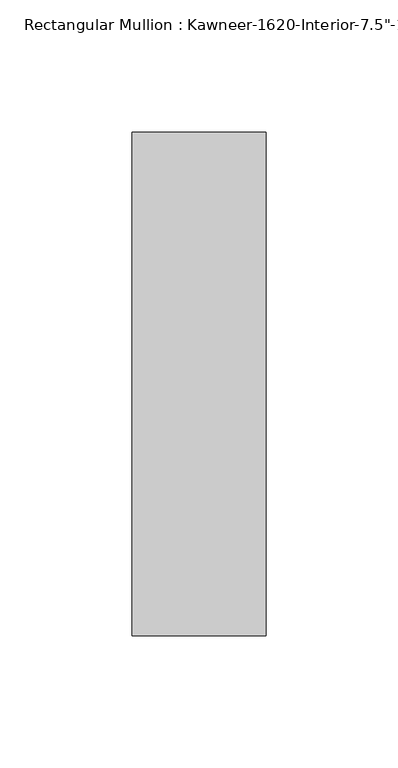
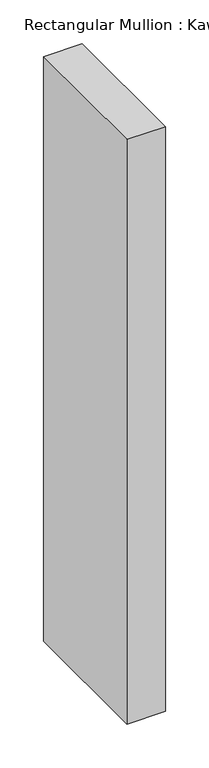
"""IFC4 building model written with IfcOpenShell, lengths in millimetres: member geometry."""

from ifc_helpers import new_model, si_unit, frame, origin, place, context, project, spatial, polyline, outline, extrude, source, transform, mapped, element, save


def member_85ddb39d(model_context):
    return source(origin(), model_context, "Body", "SweptSolid", [
        extrude(outline(polyline([(25.4, 161.925), (25.4, -28.575), (-25.4, -28.575), (-25.4, 161.925), (25.4, 161.925)])), frame((0.0, 0.0, -815.975), z_axis=(0.0, 0.0, 1.0), x_axis=(1.0, 0.0, 0.0)), (0.0, 0.0, 1.0), 815.975),
    ])


if __name__ == "__main__":
    model = new_model("IFC4")
    model_context = context("Model", 3, world=origin())
    ifc_project = project(units=[si_unit("LENGTHUNIT", "METRE", prefix="MILLI")], contexts=[model_context])
    site = spatial("IfcSite", under=ifc_project)
    building = spatial("IfcBuilding", under=site)
    placement = place(None, origin())
    member_shape = member_85ddb39d(model_context)
    element("IfcMember", 1, ObjectType="Rectangular Mullion : Kawneer-1620-Interior-7.5\"-1/4\"Infill", at=placement, inside=building, context=model_context, shape_type="MappedRepresentation", body=[
        mapped(member_shape, transform((0.0, 0.0, 0.0), x_axis=(1.0, 0.0, 0.0), y_axis=(0.0, 1.0, 0.0), z_axis=(0.0, 0.0, 1.0))),
    ])
    save(model, "model.ifc")
